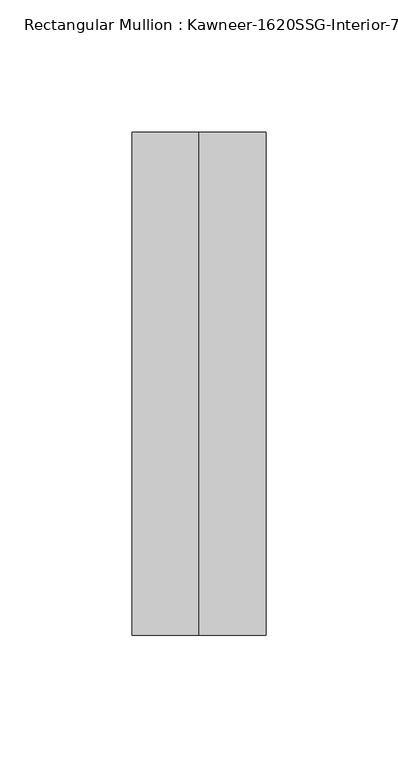
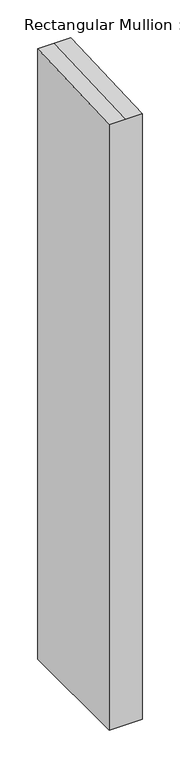
"""IFC4 building model written with IfcOpenShell, lengths in millimetres: member geometry."""

from ifc_helpers import new_model, si_unit, origin, place, context, project, spatial, faceted_brep, source, transform, mapped, element, save


def member_9ea8780b(model_context):
    return source(origin(), model_context, "Body", "Brep", [
        faceted_brep([(25.4, -161.925, -990.0516811), (-25.4, -161.925, -990.0516811), (-25.4, 28.575, -990.0516811), (25.4, 28.575, -990.0516811), (25.4, 28.575, 1.2476114), (25.4, -161.925, -7.0697982), (-25.4, 28.575, 1.2476114), (0.0, 28.575, 1.2476114), (-25.4, -161.925, -7.0697982), (0.0, -161.925, -7.0697982)], [[[0, 1, 2, 3]], [[4, 5, 0, 3]], [[6, 7, 4, 3, 2]], [[8, 6, 2, 1]], [[5, 9, 8, 1, 0]], [[5, 4, 7, 9]], [[7, 6, 8, 9]]]),
    ])


if __name__ == "__main__":
    model = new_model("IFC4")
    model_context = context("Model", 3, world=origin())
    ifc_project = project(units=[si_unit("LENGTHUNIT", "METRE", prefix="MILLI")], contexts=[model_context])
    site = spatial("IfcSite", under=ifc_project)
    building = spatial("IfcBuilding", under=site)
    placement = place(None, origin())
    member_shape = member_9ea8780b(model_context)
    element("IfcMember", 1, ObjectType="Rectangular Mullion : Kawneer-1620SSG-Interior-7.5\"-1/4\"Infill", at=placement, inside=building, context=model_context, shape_type="MappedRepresentation", body=[
        mapped(member_shape, transform((0.0, 0.0, 0.0), x_axis=(1.0, 0.0, 0.0), y_axis=(0.0, 1.0, 0.0), z_axis=(0.0, 0.0, 1.0))),
    ])
    save(model, "model.ifc")
